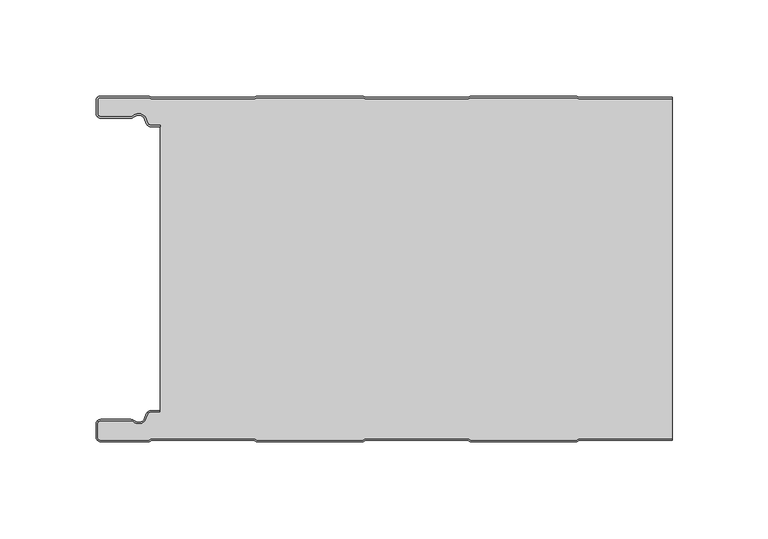
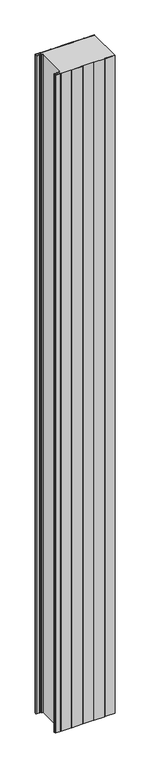
"""IFC4 building model written with IfcOpenShell, lengths in millimetres: plate geometry."""

from ifc_helpers import new_model, si_unit, point, frame_2d, origin, origin_with_axes, place, context, project, spatial, polyline, circle_curve, trimmed, segment, composite_curve, outline, extrude, source, transform, mapped, element, save


def plate_a9801651(model_context):
    return source(origin(), model_context, "Body", "SweptSolid", [
        extrude(outline(composite_curve([segment(trimmed(circle_curve(frame_2d((-147.49499, -9.0180361)), 2.50501), [point((-147.49499, -11.5230461))], [point((-150.0, -9.0180361))], False, "CARTESIAN"), True, "CONTINUOUS"), segment(polyline([(-150.0, -9.0180361), (-150.0, -2.50501)]), True, "CONTINUOUS"), segment(trimmed(circle_curve(frame_2d((-147.49499, -2.50501)), 2.50501), [point((-150.0, -2.50501))], [point((-147.49499, 0.0))], False, "CARTESIAN"), True, "CONTINUOUS"), segment(polyline([(-147.49499, 0.0), (-122.2103007, 0.0), (-121.028188, -0.6012024), (-67.6391467, -0.6012024), (-66.457034, 0.0), (-10.8776353, 0.0), (-9.6955227, -0.6012024), (43.6935186, -0.6012024), (44.8756313, 0.0), (100.45503, 0.0), (101.6371427, -0.6012024), (150.0, -0.6012024), (150.0, -1.4012024), (101.4453963, -1.4012024), (100.2632836, -0.8), (45.0673777, -0.8), (43.885265, -1.4012024), (-9.887269, -1.4012024), (-11.0693817, -0.8), (-66.2652876, -0.8), (-67.4474003, -1.4012024), (-121.2199344, -1.4012024), (-122.4020471, -0.8), (-147.49499, -0.8)]), True, "CONTINUOUS"), segment(trimmed(circle_curve(frame_2d((-147.49499, -2.50501)), 1.70501), [point((-147.49499, -0.8))], [point((-149.2, -2.50501))], True, "CARTESIAN"), True, "CONTINUOUS"), segment(polyline([(-149.2, -2.50501), (-149.2, -9.0180361)]), True, "CONTINUOUS"), segment(trimmed(circle_curve(frame_2d((-147.49499, -9.0180361)), 1.70501), [point((-149.2, -9.0180361))], [point((-147.49499, -10.7230461))], True, "CARTESIAN"), True, "CONTINUOUS"), segment(polyline([(-147.49499, -10.7230461), (-131.8173283, -10.7230461)]), True, "CONTINUOUS"), segment(trimmed(circle_curve(frame_2d((-131.8173283, -9.0180361)), 1.70501), [point((-131.8173283, -10.7230461))], [point((-130.6895701, -10.2967936))], True, "CARTESIAN"), True, "CONTINUOUS"), segment(trimmed(circle_curve(frame_2d((-127.8407481, -13.5270541)), 4.307014), [point((-130.6895701, -10.2967936))], [point((-123.7934788, -12.0539686))], False, "CARTESIAN"), True, "CONTINUOUS"), segment(polyline([(-123.7934788, -12.0539686), (-123.0450711, -14.1102019)]), True, "CONTINUOUS"), segment(trimmed(circle_curve(frame_2d((-121.4428858, -13.5270541)), 1.70501), [point((-123.0450711, -14.1102019))], [point((-121.4428858, -15.2320641))], True, "CARTESIAN"), True, "CONTINUOUS"), segment(polyline([(-121.4428858, -15.2320641), (-116.4328657, -15.2320641), (-116.4328657, -16.0320641), (-121.4428858, -16.0320641)]), True, "CONTINUOUS"), segment(trimmed(circle_curve(frame_2d((-121.4428858, -13.5270541)), 2.50501), [point((-121.4428858, -16.0320641))], [point((-123.7968252, -14.383818))], False, "CARTESIAN"), True, "CONTINUOUS"), segment(polyline([(-123.7968252, -14.383818), (-124.5452329, -12.3275847)]), True, "CONTINUOUS"), segment(trimmed(circle_curve(frame_2d((-127.8407481, -13.5270541)), 3.507014), [point((-124.5452329, -12.3275847))], [point((-130.1604199, -10.8967936))], True, "CARTESIAN"), True, "CONTINUOUS"), segment(trimmed(circle_curve(frame_2d((-131.8173283, -9.0180361)), 2.50501), [point((-130.1604199, -10.8967936))], [point((-131.8173283, -11.5230461))], False, "CARTESIAN"), True, "CONTINUOUS"), segment(polyline([(-131.8173283, -11.5230461), (-147.49499, -11.5230461)]), True, "CONTINUOUS")], self_intersect=False)), origin_with_axes(), (0.0, 0.0, 1.0), 3500.0),
        extrude(outline(composite_curve([segment(trimmed(circle_curve(frame_2d((-121.4428858, -13.5270541)), 1.70501), [point((-121.4428858, -15.2320641))], [point((-123.0450711, -14.1102019))], False, "CARTESIAN"), True, "CONTINUOUS"), segment(polyline([(-123.0450711, -14.1102019), (-123.7934788, -12.0539686)]), True, "CONTINUOUS"), segment(trimmed(circle_curve(frame_2d((-127.8407481, -13.5270541)), 4.307014), [point((-123.7934788, -12.0539686))], [point((-130.6895701, -10.2967936))], True, "CARTESIAN"), True, "CONTINUOUS"), segment(trimmed(circle_curve(frame_2d((-131.8173283, -9.0180361)), 1.70501), [point((-130.6895701, -10.2967936))], [point((-131.8173283, -10.7230461))], False, "CARTESIAN"), True, "CONTINUOUS"), segment(polyline([(-131.8173283, -10.7230461), (-147.49499, -10.7230461)]), True, "CONTINUOUS"), segment(trimmed(circle_curve(frame_2d((-147.49499, -9.0180361)), 1.70501), [point((-147.49499, -10.7230461))], [point((-149.2, -9.0180361))], False, "CARTESIAN"), True, "CONTINUOUS"), segment(polyline([(-149.2, -9.0180361), (-149.2, -2.50501)]), True, "CONTINUOUS"), segment(trimmed(circle_curve(frame_2d((-147.49499, -2.50501)), 1.70501), [point((-149.2, -2.50501))], [point((-147.49499, -0.8))], False, "CARTESIAN"), True, "CONTINUOUS"), segment(polyline([(-147.49499, -0.8), (-122.4020471, -0.8), (-121.2199344, -1.4012024), (-67.4474003, -1.4012024), (-66.2652876, -0.8), (-11.0693817, -0.8), (-9.887269, -1.4012024), (43.885265, -1.4012024), (45.0673777, -0.8), (100.2632836, -0.8), (101.4453963, -1.4012024), (150.0, -1.4012024), (150.0, -178.5987976), (101.4453963, -178.5987976), (100.2632836, -179.2), (45.0673777, -179.2), (43.885265, -178.5987976), (-9.887269, -178.5987976), (-11.0693817, -179.2), (-66.2652876, -179.2), (-67.4474003, -178.5987976), (-121.2199344, -178.5987976), (-122.4020471, -179.2), (-147.49499, -179.2)]), True, "CONTINUOUS"), segment(trimmed(circle_curve(frame_2d((-147.49499, -177.49499)), 1.70501), [point((-147.49499, -179.2))], [point((-149.2, -177.49499))], False, "CARTESIAN"), True, "CONTINUOUS"), segment(polyline([(-149.2, -177.49499), (-149.2, -170.9819639)]), True, "CONTINUOUS"), segment(trimmed(circle_curve(frame_2d((-147.49499, -170.9819639)), 1.70501), [point((-149.2, -170.9819639))], [point((-147.49499, -169.2769539))], False, "CARTESIAN"), True, "CONTINUOUS"), segment(polyline([(-147.49499, -169.2769539), (-131.8173283, -169.2769539)]), True, "CONTINUOUS"), segment(trimmed(circle_curve(frame_2d((-131.8173283, -170.9819639)), 1.70501), [point((-131.8173283, -169.2769539))], [point((-130.6895701, -169.7032064))], False, "CARTESIAN"), True, "CONTINUOUS"), segment(trimmed(circle_curve(frame_2d((-127.8407481, -166.4729459)), 4.307014), [point((-130.6895701, -169.7032064))], [point((-123.7934788, -167.9460314))], True, "CARTESIAN"), True, "CONTINUOUS"), segment(polyline([(-123.7934788, -167.9460314), (-123.0450711, -165.8897981)]), True, "CONTINUOUS"), segment(trimmed(circle_curve(frame_2d((-121.4428858, -166.4729459)), 1.70501), [point((-123.0450711, -165.8897981))], [point((-121.4428858, -164.7679359))], False, "CARTESIAN"), True, "CONTINUOUS"), segment(polyline([(-121.4428858, -164.7679359), (-116.4328657, -164.7679359), (-116.4328657, -15.2320641), (-121.4428858, -15.2320641)]), True, "CONTINUOUS")], self_intersect=False)), origin_with_axes(), (0.0, 0.0, 1.0), 3500.0),
        extrude(outline(composite_curve([segment(polyline([(-147.49499, -168.4769539), (-131.8173283, -168.4769539)]), True, "CONTINUOUS"), segment(trimmed(circle_curve(frame_2d((-131.8173283, -170.9819639)), 2.50501), [point((-131.8173283, -168.4769539))], [point((-130.1604199, -169.1032064))], False, "CARTESIAN"), True, "CONTINUOUS"), segment(trimmed(circle_curve(frame_2d((-127.8407481, -166.4729459)), 3.507014), [point((-130.1604199, -169.1032064))], [point((-124.5452329, -167.6724153))], True, "CARTESIAN"), True, "CONTINUOUS"), segment(polyline([(-124.5452329, -167.6724153), (-123.7968252, -165.616182)]), True, "CONTINUOUS"), segment(trimmed(circle_curve(frame_2d((-121.4428858, -166.4729459)), 2.50501), [point((-123.7968252, -165.616182))], [point((-121.4428858, -163.9679359))], False, "CARTESIAN"), True, "CONTINUOUS"), segment(polyline([(-121.4428858, -163.9679359), (-116.4328657, -163.9679359), (-116.4328657, -164.7679359), (-121.4428858, -164.7679359)]), True, "CONTINUOUS"), segment(trimmed(circle_curve(frame_2d((-121.4428858, -166.4729459)), 1.70501), [point((-121.4428858, -164.7679359))], [point((-123.0450711, -165.8897981))], True, "CARTESIAN"), True, "CONTINUOUS"), segment(polyline([(-123.0450711, -165.8897981), (-123.7934788, -167.9460314)]), True, "CONTINUOUS"), segment(trimmed(circle_curve(frame_2d((-127.8407481, -166.4729459)), 4.307014), [point((-123.7934788, -167.9460314))], [point((-130.6895701, -169.7032064))], False, "CARTESIAN"), True, "CONTINUOUS"), segment(trimmed(circle_curve(frame_2d((-131.8173283, -170.9819639)), 1.70501), [point((-130.6895701, -169.7032064))], [point((-131.8173283, -169.2769539))], True, "CARTESIAN"), True, "CONTINUOUS"), segment(polyline([(-131.8173283, -169.2769539), (-147.49499, -169.2769539)]), True, "CONTINUOUS"), segment(trimmed(circle_curve(frame_2d((-147.49499, -170.9819639)), 1.70501), [point((-147.49499, -169.2769539))], [point((-149.2, -170.9819639))], True, "CARTESIAN"), True, "CONTINUOUS"), segment(polyline([(-149.2, -170.9819639), (-149.2, -177.49499)]), True, "CONTINUOUS"), segment(trimmed(circle_curve(frame_2d((-147.49499, -177.49499)), 1.70501), [point((-149.2, -177.49499))], [point((-147.49499, -179.2))], True, "CARTESIAN"), True, "CONTINUOUS"), segment(polyline([(-147.49499, -179.2), (-122.4020471, -179.2), (-121.2199344, -178.5987976), (-67.4474003, -178.5987976), (-66.2652876, -179.2), (-11.0693817, -179.2), (-9.887269, -178.5987976), (43.885265, -178.5987976), (45.0673777, -179.2), (100.2632836, -179.2), (101.4453963, -178.5987976), (150.0, -178.5987976), (150.0, -179.3987976), (101.6371427, -179.3987976), (100.45503, -180.0), (44.8756313, -180.0), (43.6935186, -179.3987976), (-9.6955227, -179.3987976), (-10.8776353, -180.0), (-66.457034, -180.0), (-67.6391467, -179.3987976), (-121.028188, -179.3987976), (-122.2103007, -180.0), (-147.49499, -180.0)]), True, "CONTINUOUS"), segment(trimmed(circle_curve(frame_2d((-147.49499, -177.49499)), 2.50501), [point((-147.49499, -180.0))], [point((-150.0, -177.49499))], False, "CARTESIAN"), True, "CONTINUOUS"), segment(polyline([(-150.0, -177.49499), (-150.0, -170.9819639)]), True, "CONTINUOUS"), segment(trimmed(circle_curve(frame_2d((-147.49499, -170.9819639)), 2.50501), [point((-150.0, -170.9819639))], [point((-147.49499, -168.4769539))], False, "CARTESIAN"), True, "CONTINUOUS")], self_intersect=False)), origin_with_axes(), (0.0, 0.0, 1.0), 3500.0),
    ])


if __name__ == "__main__":
    model = new_model("IFC4")
    model_context = context("Model", 3, world=origin())
    ifc_project = project(units=[si_unit("LENGTHUNIT", "METRE", prefix="MILLI")], contexts=[model_context])
    site = spatial("IfcSite", under=ifc_project)
    building = spatial("IfcBuilding", under=site)
    placement = place(None, origin())
    plate_shape = plate_a9801651(model_context)
    element("IfcPlate", 1, at=placement, inside=building, context=model_context, shape_type="MappedRepresentation", body=[
        mapped(plate_shape, transform((0.0, 0.0, 0.0), x_axis=(1.0, 0.0, 0.0), y_axis=(0.0, 1.0, 0.0), z_axis=(0.0, 0.0, 1.0))),
    ])
    save(model, "model.ifc")
